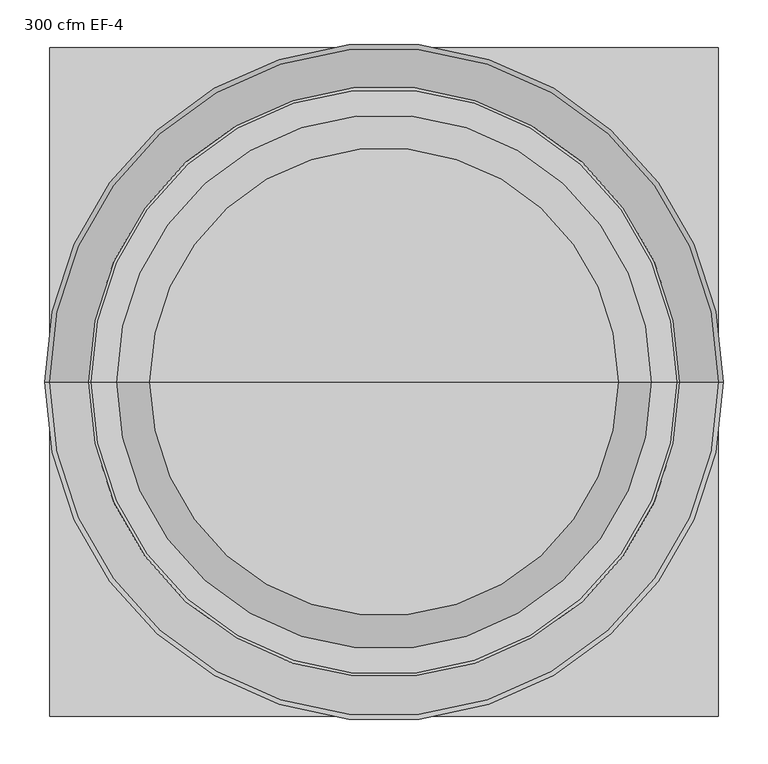
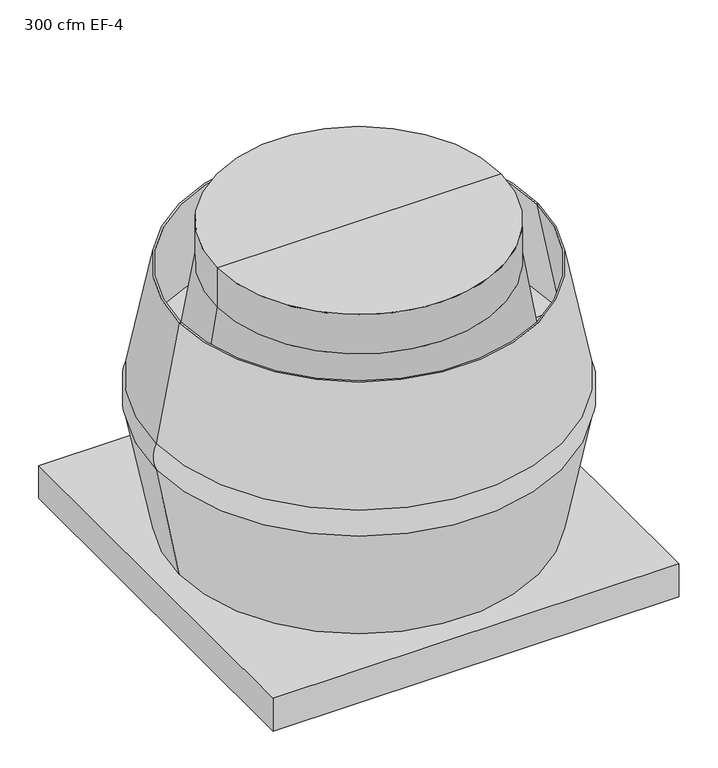
"""IFC4 building model written with IfcOpenShell, lengths in millimetres: proxy geometry, 300 cfm EF-4."""

from ifc_helpers import new_model, si_unit, point, frame, origin, origin_with_axes, place, context, project, spatial, polyline, circle_curve, ellipse_curve, trimmed, source, transform, mapped, element, save
from ifc_brep_helpers import plane_surface, cylinder_surface, revolved_surface, advanced_brep


def proxy_300_cfm_ef_4_a255a3f5(model_context):
    return source(origin(), model_context, "Body", "AdvancedBrep", [
        advanced_brep(
        [(373.0625, 0.0, 333.375), (-373.0625, 0.0, 333.375), (-330.2, 0.0, 552.45), (330.2, 0.0, 552.45), (373.0625, 0.0, 282.575), (-373.0625, 0.0, 282.575), (330.2, 0.0, 63.5), (-330.2, 0.0, 63.5), (228.6, 0.0, 63.5), (0.0, 0.0, 63.5), (-228.6, 0.0, 63.5), (-327.025, 0.0, 552.45), (327.025, 0.0, 552.45), (369.8875, 0.0, 333.375), (-369.8875, 0.0, 333.375), (-298.45, 0.0, 333.375), (298.45, 0.0, 333.375), (373.0625, 373.0625, 63.5), (-373.0625, 373.0625, 63.5), (-373.0625, -373.0625, 63.5), (373.0625, -373.0625, 63.5), (373.0625, 373.0625, 0.0), (373.0625, -373.0625, 0.0), (-373.0625, -373.0625, 0.0), (-373.0625, 373.0625, 0.0), (-228.6, 0.0, 0.0), (228.6, 0.0, 0.0), (-261.14375, 0.0, 635.0), (261.14375, 0.0, 635.0), (261.14375, 0.0, 558.8), (-261.14375, 0.0, 558.8), (0.0, 0.0, 635.0)],
        [
            (0, 1, circle_curve(frame((0.0, 0.0, 333.375), z_axis=(0.0, 0.0, 1.0), x_axis=(-1.0, 0.0, 0.0)), 373.0625)),
            (1, 2),
            (2, 3, circle_curve(frame((0.0, 0.0, 552.45), z_axis=(0.0, 0.0, -1.0), x_axis=(-1.0, 0.0, 0.0)), 330.2)),
            (3, 0),
            (1, 0, circle_curve(frame((0.0, 0.0, 333.375), z_axis=(0.0, 0.0, 1.0), x_axis=(-1.0, 0.0, 0.0)), 373.0625)),
            (3, 2, circle_curve(frame((0.0, 0.0, 552.45), z_axis=(0.0, 0.0, -1.0), x_axis=(-1.0, 0.0, 0.0)), 330.2)),
            (0, 4, circle_curve(frame((318.824906, 0.0, 307.975), z_axis=(0.0, 1.0, 0.0), x_axis=(-1.0, 0.0, 0.0)), 59.8905385)),
            (4, 5, circle_curve(frame((0.0, 0.0, 282.575), z_axis=(0.0, 0.0, 1.0), x_axis=(-1.0, 0.0, 0.0)), 373.0625)),
            (5, 1, circle_curve(frame((-318.824906, 0.0, 307.975), z_axis=(0.0, 1.0, 0.0), x_axis=(1.0, 0.0, 0.0)), 59.8905385)),
            (5, 4, circle_curve(frame((0.0, 0.0, 282.575), z_axis=(0.0, 0.0, 1.0), x_axis=(-1.0, 0.0, 0.0)), 373.0625)),
            (4, 6),
            (6, 7, circle_curve(frame((0.0, 0.0, 63.5), z_axis=(0.0, 0.0, 1.0), x_axis=(-1.0, 0.0, 0.0)), 330.2)),
            (7, 5),
            (7, 6, circle_curve(frame((0.0, 0.0, 63.5), z_axis=(0.0, 0.0, 1.0), x_axis=(-1.0, 0.0, 0.0)), 330.2)),
            (8, 9),
            (9, 10),
            (10, 8, circle_curve(frame((0.0, 0.0, 63.5), z_axis=(0.0, 0.0, -1.0), x_axis=(1.0, 0.0, 0.0)), 228.6)),
            (8, 10, circle_curve(frame((0.0, 0.0, 63.5), z_axis=(0.0, 0.0, -1.0), x_axis=(1.0, 0.0, 0.0)), 228.6)),
            (2, 11),
            (11, 12, circle_curve(frame((0.0, 0.0, 552.45), z_axis=(0.0, 0.0, -1.0), x_axis=(-1.0, 0.0, 0.0)), 327.025)),
            (12, 3),
            (12, 11, circle_curve(frame((0.0, 0.0, 552.45), z_axis=(0.0, 0.0, -1.0), x_axis=(-1.0, 0.0, 0.0)), 327.025)),
            (13, 12),
            (11, 14),
            (14, 13, circle_curve(frame((0.0, 0.0, 333.375), z_axis=(0.0, 0.0, -1.0), x_axis=(-1.0, 0.0, 0.0)), 369.8875)),
            (13, 14, circle_curve(frame((0.0, 0.0, 333.375), z_axis=(0.0, 0.0, -1.0), x_axis=(-1.0, 0.0, 0.0)), 369.8875)),
            (14, 15),
            (15, 16, circle_curve(frame((0.0, 0.0, 333.375), z_axis=(0.0, 0.0, -1.0), x_axis=(1.0, 0.0, 0.0)), 298.45)),
            (16, 13),
            (16, 15, circle_curve(frame((0.0, 0.0, 333.375), z_axis=(0.0, 0.0, -1.0), x_axis=(1.0, 0.0, 0.0)), 298.45)),
            (17, 18),
            (18, 19),
            (19, 20),
            (20, 17),
            (21, 22),
            (22, 23),
            (23, 24),
            (24, 21),
            (25, 26, circle_curve(origin_with_axes(), 228.6)),
            (26, 25, circle_curve(origin_with_axes(), 228.6)),
            (17, 21),
            (24, 18),
            (23, 19),
            (22, 20),
            (25, 10),
            (8, 26),
            (27, 28, circle_curve(frame((0.0, 0.0, 635.0), z_axis=(0.0, 0.0, -1.0), x_axis=(1.0, 0.0, 0.0)), 261.14375)),
            (28, 29),
            (29, 30, circle_curve(frame((0.0, 0.0, 558.8), z_axis=(0.0, 0.0, 1.0), x_axis=(1.0, 0.0, 0.0)), 261.14375)),
            (30, 27),
            (28, 27, circle_curve(frame((0.0, 0.0, 635.0), z_axis=(0.0, 0.0, -1.0), x_axis=(1.0, 0.0, 0.0)), 261.14375)),
            (30, 29, circle_curve(frame((0.0, 0.0, 558.8), z_axis=(0.0, 0.0, 1.0), x_axis=(1.0, 0.0, 0.0)), 261.14375)),
            (27, 31),
            (31, 28),
            (29, 16),
            (15, 30),
        ],
        [
            revolved_surface(polyline([(-330.2, 0.0, 552.45), (-373.0625, 0.0, 333.375)]), (0.0, 0.0, 552.45), (0.0, 0.0, -1.0)),
            revolved_surface(trimmed(ellipse_curve(frame((-318.824906, 0.0, 307.975), z_axis=(0.0, -1.0, 0.0), x_axis=(1.0, 0.0, 0.0)), 59.8905385, 59.8905385), [point((-373.0625, 0.0, 333.375))], [point((-373.0625, 0.0, 282.575))], True, "CARTESIAN"), (0.0, 0.0, 552.45), (0.0, 0.0, -1.0)),
            revolved_surface(polyline([(-373.0625, 0.0, 282.575), (-330.2, 0.0, 63.5)]), (0.0, 0.0, 552.45), (0.0, 0.0, -1.0)),
            plane_surface(frame((0.0, 0.0, 63.5), z_axis=(0.0, 0.0, -1.0), x_axis=(-1.0, 0.0, 0.0))),
            plane_surface(frame((0.0, 0.0, 552.45), z_axis=(0.0, 0.0, 1.0), x_axis=(-1.0, 0.0, 0.0))),
            revolved_surface(polyline([(-369.8875, 0.0, 333.375), (-327.025, 0.0, 552.45)]), (0.0, 0.0, 552.45), (0.0, 0.0, -1.0)),
            plane_surface(frame((0.0, 0.0, 333.375), z_axis=(0.0, 0.0, 1.0), x_axis=(-1.0, 0.0, 0.0))),
            plane_surface(frame((-373.0625, 373.0625, 63.5), z_axis=(0.0, 0.0, 1.0), x_axis=(-1.0, 0.0, 0.0))),
            plane_surface(frame((-373.0625, 373.0625, 0.0), z_axis=(0.0, 0.0, -1.0), x_axis=(1.0, 0.0, 0.0))),
            plane_surface(frame((373.0625, 373.0625, 63.5), z_axis=(0.0, 1.0, 0.0), x_axis=(0.0, 0.0, -1.0))),
            plane_surface(frame((-373.0625, 373.0625, 63.5), z_axis=(-1.0, 0.0, 0.0), x_axis=(0.0, 0.0, -1.0))),
            plane_surface(frame((-373.0625, -373.0625, 63.5), z_axis=(0.0, -1.0, 0.0), x_axis=(0.0, 0.0, -1.0))),
            plane_surface(frame((373.0625, -373.0625, 63.5), z_axis=(1.0, 0.0, 0.0), x_axis=(0.0, 0.0, -1.0))),
            revolved_surface(polyline([(228.6, 0.0, 63.5), (228.6, 0.0, 0.0)]), (0.0, 0.0, 0.0), (0.0, 0.0, 1.0)),
            cylinder_surface(frame((0.0, 0.0, 635.0), z_axis=(0.0, 0.0, 1.0), x_axis=(1.0, 0.0, 0.0)), 261.14375),
            plane_surface(frame((0.0, 0.0, 635.0), z_axis=(0.0, 0.0, 1.0), x_axis=(1.0, 0.0, 0.0))),
            revolved_surface(polyline([(298.45, 0.0, 333.375), (261.14375, 0.0, 558.8)]), (0.0, 0.0, 635.0), (0.0, 0.0, 1.0)),
        ],
        [
            (0, [[1, 2, 3, 4]]),
            (0, [[-2, 5, -4, 6]]),
            (1, [[-1, 7, 8, 9]]),
            (1, [[-5, -9, 10, -7]]),
            (2, [[-8, 11, 12, 13]]),
            (2, [[-10, -13, 14, -11]]),
            (3, [[15, 16, 17]]),
            (3, [[-15, 18, -16]]),
            (4, [[-3, 19, 20, 21]]),
            (4, [[-6, -21, 22, -19]]),
            (5, [[23, -20, 24, 25]]),
            (5, [[-23, 26, -24, -22]]),
            (6, [[-25, 27, 28, 29]]),
            (6, [[-26, -29, 30, -27]]),
            (7, [[31, 32, 33, 34], [-12, -14]]),
            (8, [[35, 36, 37, 38], [39, 40]]),
            (9, [[-31, 41, -38, 42]]),
            (10, [[-32, -42, -37, 43]]),
            (11, [[-33, -43, -36, 44]]),
            (12, [[-34, -44, -35, -41]]),
            (13, [[45, -18, 46, -39]]),
            (13, [[-45, -40, -46, -17]]),
            (14, [[47, 48, 49, 50]]),
            (14, [[-48, 51, -50, 52]]),
            (15, [[-47, 53, 54]]),
            (15, [[-51, -54, -53]]),
            (16, [[-49, 55, -28, 56]]),
            (16, [[-52, -56, -30, -55]]),
        ],
    ),
    ])


if __name__ == "__main__":
    model = new_model("IFC4")
    model_context = context("Model", 3, world=origin())
    ifc_project = project(units=[si_unit("LENGTHUNIT", "METRE", prefix="MILLI")], contexts=[model_context])
    site = spatial("IfcSite", under=ifc_project)
    building = spatial("IfcBuilding", under=site)
    placement = place(None, origin())
    proxy_300_cfm_ef_4_shape = proxy_300_cfm_ef_4_a255a3f5(model_context)
    element("IfcBuildingElementProxy", 1, Name="300 cfm EF-4", ObjectType="300 cfm EF-4", at=placement, inside=building, context=model_context, shape_type="MappedRepresentation", body=[
        mapped(proxy_300_cfm_ef_4_shape, transform((0.0, 0.0, 0.0), x_axis=(1.0, 0.0, 0.0), y_axis=(0.0, 1.0, 0.0), z_axis=(0.0, 0.0, 1.0))),
    ])
    save(model, "model.ifc")
